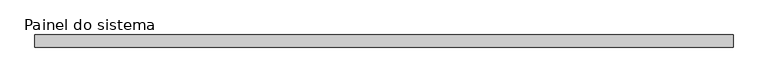
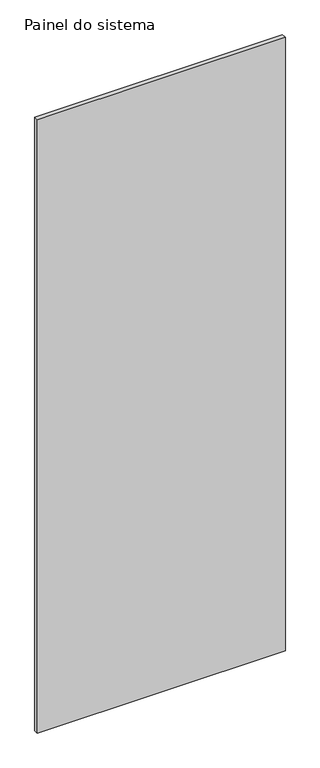
"""IFC4 building model written with IfcOpenShell, lengths in millimetres: plate geometry, Painel do sistema."""

from ifc_helpers import new_model, si_unit, origin, origin_with_axes, place, context, project, spatial, polyline, outline, extrude, source, transform, mapped, element, save


def painel_do_sistema_ee92945e(model_context):
    return source(origin(), model_context, "Body", "SweptSolid", [
        extrude(outline(polyline([(698.0365081, 24.5), (-698.0365081, 24.5), (-698.0365081, 49.5), (698.0365081, 49.5), (698.0365081, 24.5)])), origin_with_axes(), (0.0, 0.0, 1.0), 3650.0),
    ])


if __name__ == "__main__":
    model = new_model("IFC4")
    model_context = context("Model", 3, world=origin())
    ifc_project = project(units=[si_unit("LENGTHUNIT", "METRE", prefix="MILLI")], contexts=[model_context])
    site = spatial("IfcSite", under=ifc_project)
    building = spatial("IfcBuilding", under=site)
    placement = place(None, origin())
    painel_do_sistema_shape = painel_do_sistema_ee92945e(model_context)
    element("IfcPlate", 1, ObjectType="Painel do sistema", at=placement, inside=building, context=model_context, shape_type="MappedRepresentation", body=[
        mapped(painel_do_sistema_shape, transform((0.0, 0.0, 0.0), x_axis=(1.0, 0.0, 0.0), y_axis=(0.0, 1.0, 0.0), z_axis=(0.0, 0.0, 1.0))),
    ])
    save(model, "model.ifc")
